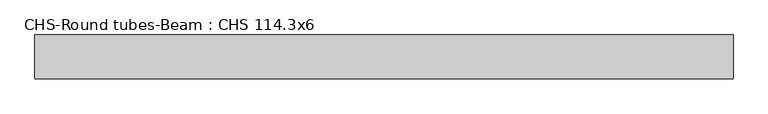
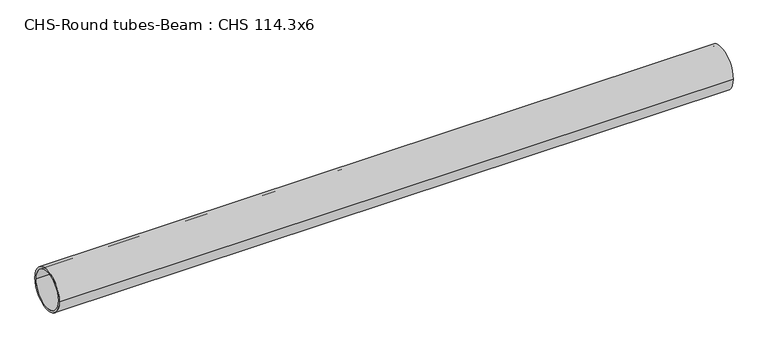
"""IFC4 building model written with IfcOpenShell, lengths in millimetres: beam geometry, CHS-Round tubes-Beam : CHS 114.3x6."""

from ifc_helpers import new_model, si_unit, point, frame, origin, origin_2d, place, context, project, spatial, circle_curve, trimmed, segment, composite_curve, outline, extrude, source, transform, mapped, element, save


def chs_round_tubes_beam_chs_114_3x6_2ce08a47(model_context):
    return source(origin(), model_context, "Body", "SweptSolid", [
        extrude(outline(composite_curve([segment(trimmed(circle_curve(origin_2d(), 57.15), [point((57.15, 0.0))], [point((-57.15, 0.0))], False, "CARTESIAN"), True, "CONTINUOUS"), segment(trimmed(circle_curve(origin_2d(), 57.15), [point((-57.15, 0.0))], [point((57.15, 0.0))], False, "CARTESIAN"), True, "CONTINUOUS")], self_intersect=False), holes=[composite_curve([segment(trimmed(circle_curve(origin_2d(), 51.15), [point((51.15, 0.0))], [point((-51.15, 0.0))], True, "CARTESIAN"), True, "CONTINUOUS"), segment(trimmed(circle_curve(origin_2d(), 51.15), [point((-51.15, 0.0))], [point((51.15, 0.0))], True, "CARTESIAN"), True, "CONTINUOUS")], self_intersect=False)]), frame((-906.76898, 0.0, 0.0), z_axis=(1.0, 0.0, 0.0), x_axis=(0.0, 1.0, 0.0)), (0.0, 0.0, 1.0), 1822.3426553),
    ])


if __name__ == "__main__":
    model = new_model("IFC4")
    model_context = context("Model", 3, world=origin())
    ifc_project = project(units=[si_unit("LENGTHUNIT", "METRE", prefix="MILLI")], contexts=[model_context])
    site = spatial("IfcSite", under=ifc_project)
    building = spatial("IfcBuilding", under=site)
    placement = place(None, origin())
    chs_round_tubes_beam_chs_114_3x6_shape = chs_round_tubes_beam_chs_114_3x6_2ce08a47(model_context)
    element("IfcBeam", 1, ObjectType="CHS-Round tubes-Beam : CHS 114.3x6", at=placement, inside=building, context=model_context, shape_type="MappedRepresentation", body=[
        mapped(chs_round_tubes_beam_chs_114_3x6_shape, transform((0.0, 0.0, 0.0), x_axis=(1.0, 0.0, 0.0), y_axis=(0.0, 1.0, 0.0), z_axis=(0.0, 0.0, 1.0))),
    ])
    save(model, "model.ifc")
